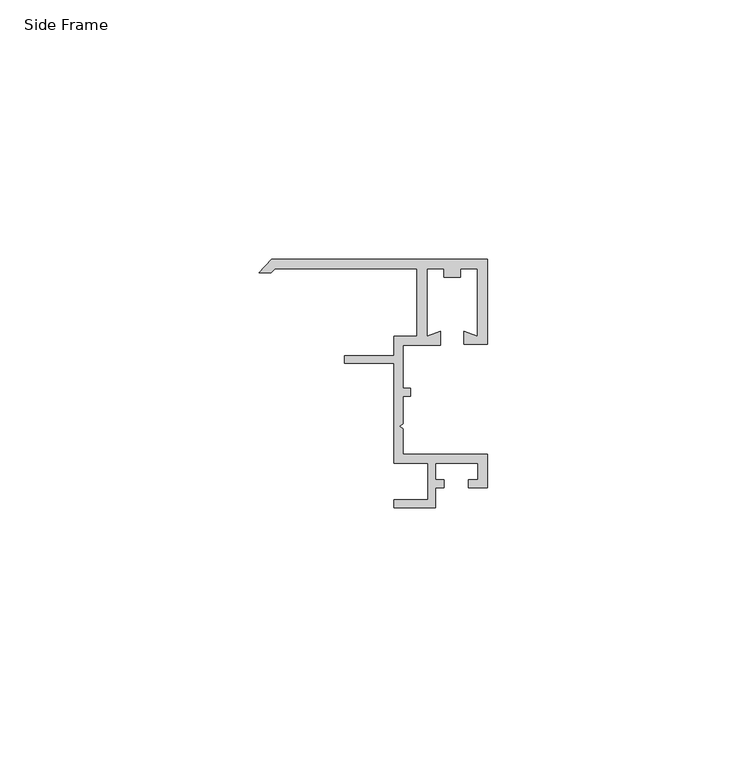
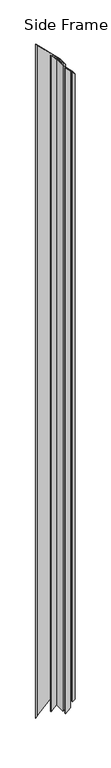
"""IFC4 building model written with IfcOpenShell, lengths in millimetres: proxy geometry, Side Frame."""

from ifc_helpers import new_model, si_unit, origin, place, context, project, spatial, faceted_brep, source, transform, mapped, element, save


def side_frame_a5ff4e46(model_context):
    return source(origin(), model_context, "Body", "Brep", [
        faceted_brep([(7.3396974, 27.4419219, 1200.5794341), (7.3396974, 27.4419219, 30.4014341), (7.3396974, 14.4120535, 30.4014341), (7.3396974, 14.4120535, 1200.5794341), (2.9200974, 14.4120535, 25.9818341), (2.9200974, 14.4120535, 1204.9990341), (2.9200974, 10.6937789, 25.9818341), (2.9200974, 10.6937789, 1204.9990341), (-6.6237015, 10.6937789, 16.4380352), (-6.6237015, 10.6937789, 1214.542833), (-6.6237015, 9.1729719, 1214.542833), (-6.6237015, 9.1729719, 16.4380352), (2.9200974, 9.1729719, 25.9818341), (2.9200974, 9.1729719, 1204.9990341), (2.9200974, -10.0865781, 25.9818341), (2.9200974, -10.0865781, 1204.9990341), (9.4478974, -10.0865781, 32.5096341), (9.4478974, -10.0865781, 1198.4712341), (9.4478974, -17.0715781, 32.5096341), (9.4478974, -17.0715781, 1198.4712341), (2.9200974, -17.0715781, 25.9818341), (2.9200974, -17.0715781, 1204.9990341), (2.9200974, -18.5955781, 1204.9990341), (2.9200974, -18.5955781, 25.9818341), (10.9718974, -18.5955781, 34.0336341), (10.9718974, -18.5955781, 1196.9472341), (10.9718974, -14.7855781, 34.0336341), (10.9718974, -14.7855781, 1196.9472341), (10.9718974, -13.2360592, 1196.9472341), (10.9718974, -13.2360592, 34.0336341), (10.9718974, -10.0865781, 34.0336341), (10.9718974, -10.0865781, 1196.9472341), (19.1506974, -10.0865781, 42.2124341), (19.1506974, -10.0865781, 1188.7684341), (19.1506974, -13.2360592, 42.2124341), (19.1506974, -13.2360592, 1188.7684341), (17.2954875, -14.7855781, 1190.6236441), (17.2954875, -14.7855781, 40.3572241), (20.9286974, -14.7855781, 43.9904341), (20.9286974, -14.7855781, 1186.9904341), (20.9286974, -8.3085781, 43.9904341), (20.9286974, -8.3085781, 1186.9904341), (4.6980974, -8.3085781, 27.7598341), (4.6980974, -8.3085781, 1203.2210341), (4.6980974, -3.4079308, 27.7598341), (4.6980974, -3.4079308, 1203.2210341), (4.6980974, -2.4501363, 1203.2210341), (4.6980974, -2.4501363, 27.7598341), (4.6980974, 2.8364353, 27.7598341), (4.6980974, 2.8364353, 1203.2210341), (4.6980974, 4.3781816, 1203.2210341), (4.6980974, 4.3781816, 27.7598341), (4.6980974, 12.6340535, 27.7598341), (4.6980974, 12.6340535, 1203.2210341), (11.8481974, 12.6340535, 34.9099341), (11.8481974, 12.6340535, 1196.0709341), (11.8481974, 15.3436414, 34.9099341), (11.8481974, 15.3436414, 1196.0709341), (9.2667749, 14.4040804, 32.3285115), (9.2667749, 14.4040804, 1198.6523567), (9.2667749, 27.4419219, 1198.6523567), (9.2667749, 27.4419219, 32.3285115), (12.5300499, 27.4419219, 35.5917866), (12.5300499, 27.4419219, 1195.3890816), (15.7392724, 27.4419219, 1192.1798591), (15.7392724, 27.4419219, 38.8010091), (18.9797143, 27.4419219, 42.0414509), (18.9797143, 27.4419219, 1188.9394173), (18.9797143, 14.4120535, 1188.9394173), (18.9797143, 14.4120535, 42.0414509), (16.4201974, 15.3436414, 39.4819341), (16.4201974, 15.3436414, 1191.4989341), (16.4201974, 12.8880535, 39.4819341), (16.4201974, 12.8880535, 1191.4989341), (20.9286974, 12.8880535, 43.9904341), (20.9286974, 12.8880535, 1186.9904341), (20.9286974, 29.2199219, 43.9904341), (20.9286974, 29.2199219, 1186.9904341), (-20.7055128, 29.2199219, 2.3562239), (-20.7055128, 29.2199219, 1228.6246443), (-23.0617367, 26.6481719, 0.0), (-23.0617367, 26.6481719, 1230.9808682), (-20.7627911, 26.6481719, 2.2989456), (-20.7627911, 26.6481719, 1228.6819226), (-19.9690411, 27.4419219, 3.0926956), (-19.9690411, 27.4419219, 1227.8881726), (12.5942544, -14.7855781, 35.6559911), (12.5942544, -14.7855781, 1195.3248771), (12.5942544, -13.2360592, 35.6559911), (12.5942544, -13.2360592, 1195.3248771), (17.2954875, -13.2360592, 40.3572241), (17.2954875, -13.2360592, 1190.6236441), (4.0141613, -2.9290335, 27.0758979), (4.0141613, -2.9290335, 1203.9049703), (6.0924236, 2.8364353, 29.1541602), (6.0924236, 2.8364353, 1201.826708), (6.0924236, 4.3781816, 29.1541602), (6.0924236, 4.3781816, 1201.826708), (12.5300499, 25.799808, 35.5917866), (12.5300499, 25.799808, 1195.3890816), (15.7392724, 25.799808, 38.8010091), (15.7392724, 25.799808, 1192.1798591)], [[[0, 1, 2, 3]], [[3, 2, 4, 5]], [[5, 4, 6, 7]], [[7, 6, 8, 9]], [[10, 11, 12, 13]], [[13, 12, 14, 15]], [[15, 14, 16, 17]], [[17, 16, 18, 19]], [[19, 18, 20, 21]], [[22, 23, 24, 25]], [[25, 24, 26, 27]], [[28, 29, 30, 31]], [[31, 30, 32, 33]], [[33, 32, 34, 35]], [[36, 37, 38, 39]], [[39, 38, 40, 41]], [[41, 40, 42, 43]], [[43, 42, 44, 45]], [[46, 47, 48, 49]], [[50, 51, 52, 53]], [[53, 52, 54, 55]], [[55, 54, 56, 57]], [[57, 56, 58, 59]], [[60, 61, 62, 63]], [[64, 65, 66, 67]], [[68, 69, 70, 71]], [[71, 70, 72, 73]], [[73, 72, 74, 75]], [[75, 74, 76, 77]], [[77, 76, 78, 79]], [[80, 81, 79, 78]], [[81, 80, 82, 83]], [[83, 82, 84, 85]], [[1, 0, 85, 84]], [[11, 10, 9, 8]], [[23, 22, 21, 20]], [[27, 26, 86, 87]], [[87, 86, 88, 89]], [[29, 28, 89, 88]], [[35, 34, 90, 91]], [[37, 36, 91, 90]], [[45, 44, 92, 93]], [[47, 46, 93, 92]], [[49, 48, 94, 95]], [[95, 94, 96, 97]], [[51, 50, 97, 96]], [[61, 60, 59, 58]], [[63, 62, 98, 99]], [[99, 98, 100, 101]], [[65, 64, 101, 100]], [[69, 68, 67, 66]], [[0, 3, 5, 7, 9, 10, 13, 15, 17, 19, 21, 22, 25, 27, 87, 89, 28, 31, 33, 35, 91, 36, 39, 41, 43, 45, 93, 46, 49, 95, 97, 50, 53, 55, 57, 59, 60, 63, 99, 101, 64, 67, 68, 71, 73, 75, 77, 79, 81, 83, 85]], [[2, 1, 84, 82, 80, 78, 76, 74, 72, 70, 69, 66, 65, 100, 98, 62, 61, 58, 56, 54, 52, 51, 96, 94, 48, 47, 92, 44, 42, 40, 38, 37, 90, 34, 32, 30, 29, 88, 86, 26, 24, 23, 20, 18, 16, 14, 12, 11, 8, 6, 4]]]),
    ])


if __name__ == "__main__":
    model = new_model("IFC4")
    model_context = context("Model", 3, world=origin())
    ifc_project = project(units=[si_unit("LENGTHUNIT", "METRE", prefix="MILLI")], contexts=[model_context])
    site = spatial("IfcSite", under=ifc_project)
    building = spatial("IfcBuilding", under=site)
    placement = place(None, origin())
    side_frame_shape = side_frame_a5ff4e46(model_context)
    element("IfcBuildingElementProxy", 1, Name="Side Frame", ObjectType="Side Frame", at=placement, inside=building, context=model_context, shape_type="MappedRepresentation", body=[
        mapped(side_frame_shape, transform((0.0, 0.0, 0.0), x_axis=(1.0, 0.0, 0.0), y_axis=(0.0, 1.0, 0.0), z_axis=(0.0, 0.0, 1.0))),
    ])
    save(model, "model.ifc")
